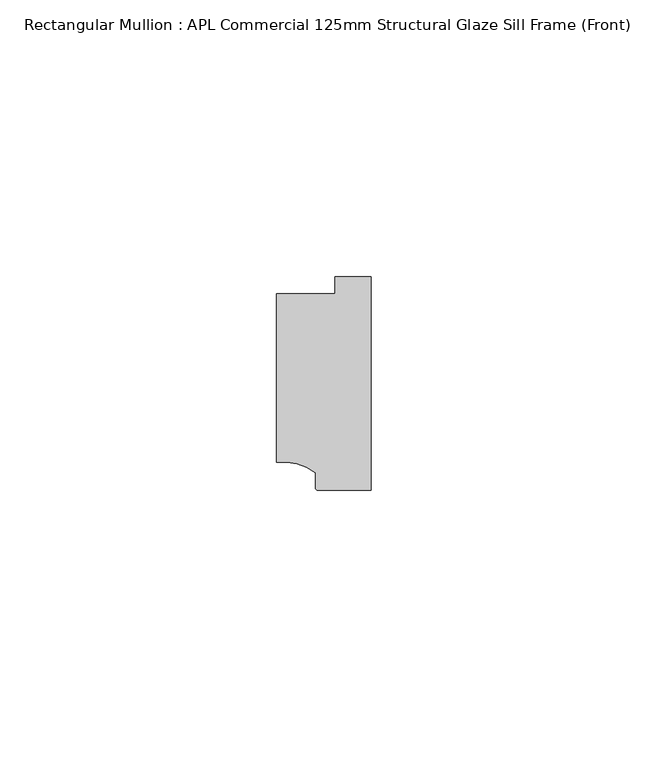
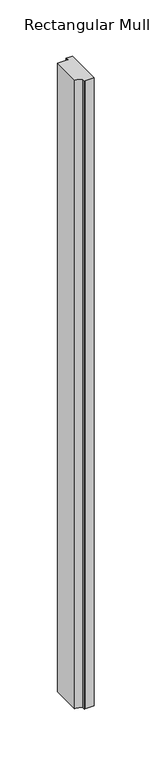
"""IFC4 building model written with IfcOpenShell, lengths in millimetres: member geometry, Rectangular Mullion : APL Commercial 125mm Structural Glaze Sill Frame (Front)."""

from ifc_helpers import new_model, si_unit, point, frame, frame_2d, origin, place, context, project, spatial, polyline, circle_curve, trimmed, segment, composite_curve, outline, extrude, source, transform, mapped, element, save


def rectangular_mullion_apl_commercial_125mm_structural_glaze_e009b675(model_context):
    return source(origin(), model_context, "Body", "SweptSolid", [
        extrude(outline(composite_curve([segment(polyline([(-16.999942, -15.3793144), (-16.999942, 15.0004332), (-6.5000029, 15.0004332), (-6.5000029, 18.0281616), (0.0, 18.0281616), (0.0, -20.49978), (-9.5000029, -20.49978)]), True, "CONTINUOUS"), segment(trimmed(circle_curve(frame_2d((-9.5000029, -19.99978)), 0.5), [point((-9.5000029, -20.49978))], [point((-10.0, -19.9980675))], False, "CARTESIAN"), True, "CONTINUOUS"), segment(polyline([(-10.0, -19.9980675), (-10.0, -17.3120901)]), True, "CONTINUOUS"), segment(trimmed(circle_curve(frame_2d((-16.1098048, -25.7977481)), 10.4563907), [point((-10.0, -17.3120901))], [point((-16.999942, -15.3793144))], True, "CARTESIAN"), True, "CONTINUOUS")], self_intersect=False)), frame((0.0, 0.0, -684.0001522), z_axis=(0.0, 0.0, 1.0), x_axis=(1.0, 0.0, 0.0)), (0.0, 0.0, 1.0), 684.0001522),
    ])


if __name__ == "__main__":
    model = new_model("IFC4")
    model_context = context("Model", 3, world=origin())
    ifc_project = project(units=[si_unit("LENGTHUNIT", "METRE", prefix="MILLI")], contexts=[model_context])
    site = spatial("IfcSite", under=ifc_project)
    building = spatial("IfcBuilding", under=site)
    placement = place(None, origin())
    rectangular_mullion_apl_commercial_125mm_structural_glaze_shape = rectangular_mullion_apl_commercial_125mm_structural_glaze_e009b675(model_context)
    element("IfcMember", 1, ObjectType="Rectangular Mullion : APL Commercial 125mm Structural Glaze Sill Frame (Front)", at=placement, inside=building, context=model_context, shape_type="MappedRepresentation", body=[
        mapped(rectangular_mullion_apl_commercial_125mm_structural_glaze_shape, transform((0.0, 0.0, 0.0), x_axis=(1.0, 0.0, 0.0), y_axis=(0.0, 1.0, 0.0), z_axis=(0.0, 0.0, 1.0))),
    ])
    save(model, "model.ifc")
